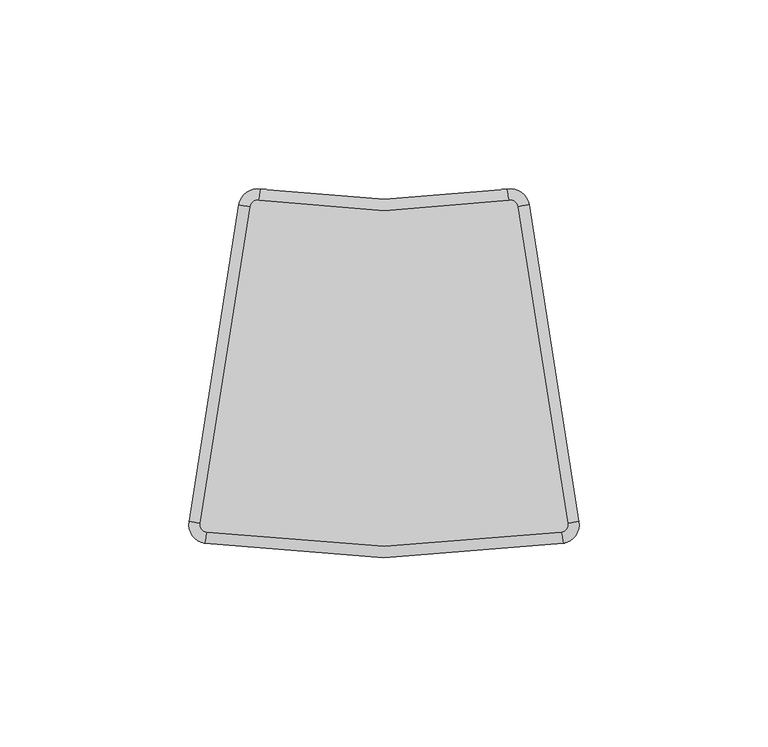
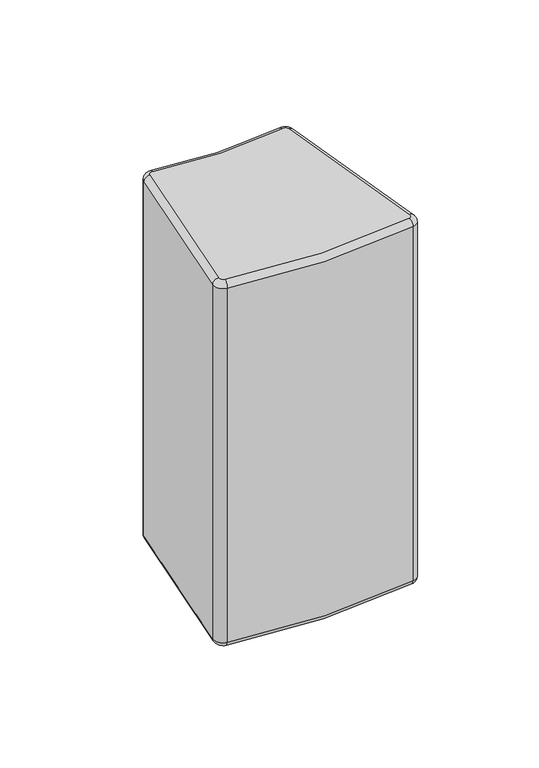
"""IFC4 building model written with IfcOpenShell, lengths in millimetres: plate geometry."""

from ifc_helpers import new_model, si_unit, point, frame, origin, place, context, project, spatial, polyline, circle_curve, ellipse_curve, trimmed, source, transform, mapped, element, save
from ifc_brep_helpers import plane_surface, cylinder_surface, revolved_surface, advanced_brep


def plate_569d3b1e(model_context):
    return source(origin(), model_context, "Body", "AdvancedBrep", [
        advanced_brep(
        [(-48.6187907, -40.1579752, 196.85), (-46.9610317, -42.4433121, 196.85), (46.9610317, -42.4433121, 196.85), (48.6187907, -40.1579752, 196.85), (35.4294025, 43.6926295, 196.85), (33.1273172, 45.3550478, 196.85), (-33.1273172, 45.3550478, 196.85), (-35.4294025, 43.6926295, 196.85), (-35.4294025, 43.6926295, 0.0), (-33.1273172, 45.3550478, 0.0), (33.1273172, 45.3550478, 0.0), (35.4294025, 43.6926295, 0.0), (48.6187907, -40.1579752, 0.0), (46.9610317, -42.4433121, 0.0), (-46.9610317, -42.4433121, 0.0), (-48.6187907, -40.1579752, 0.0), (-51.5823523, -39.691818, 193.85), (-38.3929641, 44.1587867, 193.85), (-38.3929641, 44.1587867, 2.9999976), (-51.5823523, -39.691818, 3.0), (47.4379548, -45.4051602, 193.85), (-47.4379548, -45.4051602, 193.85), (-47.4379548, -45.4051602, 2.9999989), (47.4379548, -45.4051602, 3.0), (38.3929641, 44.1587867, 193.85), (51.5823523, -39.691818, 193.85), (51.5823523, -39.691818, 3.0), (38.3929641, 44.1587867, 3.0), (-32.637751, 48.3148324, 193.85), (32.637751, 48.3148324, 193.85), (32.637751, 48.3148324, 2.9999981), (-32.637751, 48.3148324, 3.0)],
        [
            (0, 1, circle_curve(frame((-46.6430829, -40.4687467, 196.85), z_axis=(0.0, 0.0, 1.0), x_axis=(-0.9878538718482607, 0.15538573896725602, 0.0)), 2.0)),
            (1, 2, circle_curve(frame((0.0, 249.2, 196.85), z_axis=(0.0, 0.0, 1.0), x_axis=(-0.1589743793886803, -0.9872827085986992, 0.0)), 295.4)),
            (2, 3, circle_curve(frame((46.6430829, -40.4687467, 196.85), z_axis=(0.0, 0.0, 1.0), x_axis=(0.15897437938865627, -0.987282708598703, 0.0)), 2.0)),
            (3, 4),
            (4, 5, circle_curve(frame((33.4536947, 43.381858, 196.85), z_axis=(0.0, 0.0, 1.0), x_axis=(0.9878538718482599, 0.1553857389672605, 0.0)), 2.0)),
            (5, 6, circle_curve(frame((0.0, 245.6338056, 196.85), z_axis=(0.0, 0.0, -1.0), x_axis=(0.16318875479181272, -0.9865948663506706, 0.0)), 203.0)),
            (6, 7, circle_curve(frame((-33.4536947, 43.381858, 196.85), z_axis=(0.0, 0.0, 1.0), x_axis=(0.16318875479181183, 0.9865948663506707, 0.0)), 2.0)),
            (7, 0),
            (8, 9, circle_curve(frame((-33.4536947, 43.381858, 0.0), z_axis=(0.0, 0.0, -1.0), x_axis=(-0.9878538718482619, 0.1553857389672479, 0.0)), 2.0)),
            (9, 10, circle_curve(frame((0.0, 245.6338056, 0.0), z_axis=(0.0, 0.0, 1.0), x_axis=(-0.16318875479180558, -0.9865948663506718, 0.0)), 203.0)),
            (10, 11, circle_curve(frame((33.4536947, 43.381858, 0.0), z_axis=(0.0, 0.0, -1.0), x_axis=(-0.1631887547918012, 0.9865948663506725, 0.0)), 2.0)),
            (11, 12),
            (12, 13, circle_curve(frame((46.6430829, -40.4687467, 0.0), z_axis=(0.0, 0.0, -1.0), x_axis=(0.9878538718482593, 0.15538573896726424, 0.0)), 2.0)),
            (13, 14, circle_curve(frame((0.0, 249.2, 0.0), z_axis=(0.0, 0.0, -1.0), x_axis=(0.1589743793886688, -0.987282708598701, 0.0)), 295.4)),
            (14, 15, circle_curve(frame((-46.6430829, -40.4687467, 0.0), z_axis=(0.0, 0.0, -1.0), x_axis=(-0.1589743793886897, -0.9872827085986976, 0.0)), 2.0)),
            (15, 8),
            (16, 17),
            (17, 18),
            (18, 19),
            (19, 16),
            (20, 21, circle_curve(frame((0.0, 249.2, 193.85), z_axis=(0.0, 0.0, -1.0), x_axis=(1.0, 0.0, 0.0)), 298.4)),
            (21, 22),
            (22, 23, circle_curve(frame((0.0, 249.2, 3.0), z_axis=(0.0, 0.0, 1.0), x_axis=(1.0, 0.0, 0.0)), 298.4)),
            (23, 20),
            (24, 25),
            (25, 26),
            (26, 27),
            (27, 24),
            (28, 29, circle_curve(frame((0.0, 245.6338056, 193.85), z_axis=(0.0, 0.0, 1.0), x_axis=(1.0, 0.0, 0.0)), 200.0)),
            (29, 30),
            (30, 31, circle_curve(frame((0.0, 245.6338056, 3.0), z_axis=(0.0, 0.0, -1.0), x_axis=(1.0, 0.0, 0.0)), 200.0)),
            (31, 28),
            (21, 16, circle_curve(frame((-46.6430829, -40.4687467, 193.85), z_axis=(0.0, 0.0, -1.0), x_axis=(1.0, 0.0, 0.0)), 5.0)),
            (19, 22, circle_curve(frame((-46.6430829, -40.4687467, 3.0), z_axis=(0.0, 0.0, 1.0), x_axis=(1.0, 0.0, 0.0)), 5.0)),
            (25, 20, circle_curve(frame((46.6430829, -40.4687467, 193.85), z_axis=(0.0, 0.0, -1.0), x_axis=(1.0, 0.0, 0.0)), 5.0)),
            (23, 26, circle_curve(frame((46.6430829, -40.4687467, 3.0), z_axis=(0.0, 0.0, 1.0), x_axis=(1.0, 0.0, 0.0)), 5.0)),
            (29, 24, circle_curve(frame((33.4536947, 43.381858, 193.85), z_axis=(0.0, 0.0, -1.0), x_axis=(1.0, 0.0, 0.0)), 5.0)),
            (27, 30, circle_curve(frame((33.4536947, 43.381858, 3.0), z_axis=(0.0, 0.0, 1.0), x_axis=(1.0, 0.0, 0.0)), 5.0)),
            (17, 28, circle_curve(frame((-33.4536947, 43.381858, 193.85), z_axis=(0.0, 0.0, -1.0), x_axis=(1.0, 0.0, 0.0)), 5.0)),
            (31, 18, circle_curve(frame((-33.4536947, 43.381858, 3.0), z_axis=(0.0, 0.0, 1.0), x_axis=(1.0, 0.0, 0.0)), 5.0)),
            (21, 1, circle_curve(frame((-46.9610317, -42.4433121, 193.85), z_axis=(-0.9872827085986469, 0.1589743793890056, 0.0), x_axis=(0.1589743793890056, 0.9872827085986469, 0.0)), 3.0)),
            (0, 16, circle_curve(frame((-48.6187907, -40.1579752, 193.85), z_axis=(-0.155385738967256, -0.9878538718482607, 0.0), x_axis=(0.9878538718482607, -0.155385738967256, 0.0)), 3.0)),
            (20, 2, circle_curve(frame((46.9610317, -42.4433121, 193.85), z_axis=(-0.9872827085987009, -0.15897437938866907, 0.0), x_axis=(-0.15897437938866907, 0.9872827085987009, 0.0)), 3.0)),
            (25, 3, circle_curve(frame((48.6187907, -40.1579752, 193.85), z_axis=(0.15538573896727034, -0.9878538718482583, 0.0), x_axis=(-0.9878538718482583, -0.15538573896727034, 0.0)), 3.0)),
            (24, 4, circle_curve(frame((35.4294025, 43.6926295, 193.85), z_axis=(0.15538573896727137, -0.9878538718482582, 0.0), x_axis=(-0.9878538718482582, -0.15538573896727137, 0.0)), 3.0)),
            (29, 5, circle_curve(frame((33.1273172, 45.3550478, 193.85), z_axis=(0.9865948663507554, 0.16318875479129968, 0.0), x_axis=(0.16318875479129968, -0.9865948663507554, 0.0)), 3.0)),
            (28, 6, circle_curve(frame((-33.1273172, 45.3550478, 193.85), z_axis=(0.9865948663506717, -0.16318875479180608, 0.0), x_axis=(-0.16318875479180608, -0.9865948663506717, 0.0)), 3.0)),
            (17, 7, circle_curve(frame((-35.4294025, 43.6926295, 193.85), z_axis=(0.15538573896726787, 0.9878538718482587, 0.0), x_axis=(0.9878538718482587, -0.15538573896726787, 0.0)), 3.0)),
            (31, 9, circle_curve(frame((-33.1273172, 45.3550478, 3.0), z_axis=(-0.9865948663506676, 0.16318875479183048, 0.0), x_axis=(-0.16318875479183048, -0.9865948663506676, 0.0)), 3.0)),
            (8, 18, circle_curve(frame((-35.4294025, 43.6926295, 3.0), z_axis=(0.15538573896724794, 0.9878538718482619, 0.0), x_axis=(0.9878538718482619, -0.15538573896724794, 0.0)), 3.0)),
            (30, 10, circle_curve(frame((33.1273172, 45.3550478, 3.0), z_axis=(-0.9865948663506728, -0.16318875479180023, 0.0), x_axis=(0.16318875479180023, -0.9865948663506728, 0.0)), 3.0)),
            (27, 11, circle_curve(frame((35.4294025, 43.6926295, 3.0), z_axis=(-0.15538573896726726, 0.9878538718482589, 0.0), x_axis=(-0.9878538718482589, -0.15538573896726726, 0.0)), 3.0)),
            (26, 12, circle_curve(frame((48.6187907, -40.1579752, 3.0), z_axis=(-0.15538573896727154, 0.9878538718482582, 0.0), x_axis=(-0.9878538718482582, -0.15538573896727154, 0.0)), 3.0)),
            (23, 13, circle_curve(frame((46.9610317, -42.4433121, 3.0), z_axis=(0.9872827085987055, 0.15897437938864065, 0.0), x_axis=(-0.15897437938864065, 0.9872827085987055, 0.0)), 3.0)),
            (22, 14, circle_curve(frame((-46.9610317, -42.4433121, 3.0), z_axis=(0.9872827085987002, -0.15897437938867476, 0.0), x_axis=(0.15897437938867476, 0.9872827085987002, 0.0)), 3.0)),
            (19, 15, circle_curve(frame((-48.6187907, -40.1579752, 3.0), z_axis=(-0.1553857389672485, -0.9878538718482618, 0.0), x_axis=(0.9878538718482618, -0.1553857389672485, 0.0)), 3.0)),
        ],
        [
            plane_surface(frame((-52.35, -44.5720843, 196.85), z_axis=(0.0, 0.0, 1.0), x_axis=(-0.15538573896725646, -0.9878538718482606, 0.0))),
            plane_surface(frame((-52.35, -44.5720843, 0.0), z_axis=(0.0, 0.0, -1.0), x_axis=(0.15538573896725646, 0.9878538718482606, 0.0))),
            plane_surface(frame((-38.3929641, 44.1587867, 196.85), z_axis=(-0.9878538718482606, 0.15538573896725646, 0.0), x_axis=(0.0, 0.0, -1.0))),
            cylinder_surface(frame((0.0, 249.2, 0.0), z_axis=(0.0, 0.0, 1.0), x_axis=(1.0, 0.0, 0.0)), 298.4),
            plane_surface(frame((51.5823523, -39.691818, 196.85), z_axis=(0.9878538718482583, 0.15538573896727115, 0.0), x_axis=(0.0, 0.0, -1.0))),
            revolved_surface(polyline([(200.0, 245.6338056, 2.9999981), (200.0, 245.6338056, 193.85)]), (0.0, 245.6338056, 0.0), (0.0, 0.0, -1.0)),
            cylinder_surface(frame((-46.6430829, -40.4687467, 0.0), z_axis=(0.0, 0.0, 1.0), x_axis=(1.0, 0.0, 0.0)), 5.0),
            cylinder_surface(frame((46.6430829, -40.4687467, 0.0), z_axis=(0.0, 0.0, 1.0), x_axis=(1.0, 0.0, 0.0)), 5.0),
            cylinder_surface(frame((33.4536947, 43.381858, 0.0), z_axis=(0.0, 0.0, 1.0), x_axis=(1.0, 0.0, 0.0)), 5.0),
            cylinder_surface(frame((-33.4536947, 43.381858, 0.0), z_axis=(0.0, 0.0, 1.0), x_axis=(1.0, 0.0, 0.0)), 5.0),
            revolved_surface(trimmed(ellipse_curve(frame((-48.6187907, -40.1579752, 193.85), z_axis=(0.155385738967256, 0.9878538718482607, 0.0), x_axis=(0.9878538718482607, -0.155385738967256, 0.0)), 3.0, 3.0), [point((-51.5823523, -39.691818, 193.85))], [point((-48.6187907, -40.1579752, 196.85))], True, "CARTESIAN"), (-46.6430829, -40.4687467, 196.85), (0.0, 0.0, 1.0)),
            revolved_surface(trimmed(ellipse_curve(frame((-46.9610317, -42.4433121, 193.85), z_axis=(-0.9872827085986992, 0.1589743793886803, 0.0), x_axis=(0.1589743793886803, 0.9872827085986992, 0.0)), 3.0, 3.0), [point((-47.4379548, -45.4051602, 193.85))], [point((-46.9610317, -42.4433121, 196.85))], True, "CARTESIAN"), (0.0, 249.2, 196.85), (0.0, 0.0, 1.0)),
            revolved_surface(trimmed(ellipse_curve(frame((46.9610317, -42.4433121, 193.85), z_axis=(-0.987282708598703, -0.15897437938865625, 0.0), x_axis=(-0.15897437938865625, 0.987282708598703, 0.0)), 3.0, 3.0), [point((47.4379548, -45.4051602, 193.85))], [point((46.9610317, -42.4433121, 196.85))], True, "CARTESIAN"), (46.6430829, -40.4687467, 196.85), (0.0, 0.0, 1.0)),
            cylinder_surface(frame((48.6187907, -40.1579752, 193.85), z_axis=(-0.15538573896727137, 0.9878538718482582, 0.0), x_axis=(-0.9878538718482582, -0.15538573896727137, 0.0)), 3.0),
            revolved_surface(trimmed(ellipse_curve(frame((35.4294025, 43.6926295, 193.85), z_axis=(0.15538573896726046, -0.9878538718482599, 0.0), x_axis=(-0.9878538718482599, -0.15538573896726046, 0.0)), 3.0, 3.0), [point((38.3929641, 44.1587867, 193.85))], [point((35.4294025, 43.6926295, 196.85))], True, "CARTESIAN"), (33.4536947, 43.381858, 196.85), (0.0, 0.0, 1.0)),
            revolved_surface(trimmed(ellipse_curve(frame((33.1273172, 45.3550478, 193.85), z_axis=(0.9865948663506706, 0.16318875479181272, 0.0), x_axis=(0.16318875479181272, -0.9865948663506706, 0.0)), 3.0, 3.0), [point((32.637751, 48.3148324, 193.85))], [point((33.1273172, 45.3550478, 196.85))], True, "CARTESIAN"), (0.0, 245.6338056, 196.85), (0.0, 0.0, -1.0)),
            revolved_surface(trimmed(ellipse_curve(frame((-33.1273172, 45.3550478, 193.85), z_axis=(0.9865948663506707, -0.16318875479181183, 0.0), x_axis=(-0.16318875479181183, -0.9865948663506707, 0.0)), 3.0, 3.0), [point((-32.637751, 48.3148324, 193.85))], [point((-33.1273172, 45.3550478, 196.85))], True, "CARTESIAN"), (-33.4536947, 43.381858, 196.85), (0.0, 0.0, 1.0)),
            cylinder_surface(frame((-35.4294025, 43.6926295, 193.85), z_axis=(-0.15538573896725644, -0.9878538718482607, 0.0), x_axis=(0.9878538718482607, -0.15538573896725644, 0.0)), 3.0),
            revolved_surface(trimmed(ellipse_curve(frame((-35.4294025, 43.6926295, 3.0), z_axis=(-0.15538573896724794, -0.9878538718482619, 0.0), x_axis=(0.9878538718482619, -0.15538573896724794, 0.0)), 3.0, 3.0), [point((-38.3929641, 44.1587867, 3.0))], [point((-35.4294025, 43.6926295, 0.0))], True, "CARTESIAN"), (-33.4536947, 43.381858, 0.0), (0.0, 0.0, -1.0)),
            revolved_surface(trimmed(ellipse_curve(frame((-33.1273172, 45.3550478, 3.0), z_axis=(-0.9865948663506718, 0.16318875479180547, 0.0), x_axis=(-0.16318875479180547, -0.9865948663506718, 0.0)), 3.0, 3.0), [point((-32.637751, 48.3148324, 3.0))], [point((-33.1273172, 45.3550478, 0.0))], True, "CARTESIAN"), (0.0, 245.6338056, 0.0), (0.0, 0.0, 1.0)),
            revolved_surface(trimmed(ellipse_curve(frame((33.1273172, 45.3550478, 3.0), z_axis=(-0.9865948663506725, -0.16318875479180134, 0.0), x_axis=(0.16318875479180134, -0.9865948663506725, 0.0)), 3.0, 3.0), [point((32.637751, 48.3148324, 3.0))], [point((33.1273172, 45.3550478, 0.0))], True, "CARTESIAN"), (33.4536947, 43.381858, 0.0), (0.0, 0.0, -1.0)),
            cylinder_surface(frame((35.4294025, 43.6926295, 3.0), z_axis=(0.15538573896727154, -0.9878538718482582, 0.0), x_axis=(-0.9878538718482582, -0.15538573896727154, 0.0)), 3.0),
            revolved_surface(trimmed(ellipse_curve(frame((48.6187907, -40.1579752, 3.0), z_axis=(-0.1553857389672644, 0.9878538718482593, 0.0), x_axis=(-0.9878538718482593, -0.1553857389672644, 0.0)), 3.0, 3.0), [point((51.5823523, -39.691818, 3.0))], [point((48.6187907, -40.1579752, 0.0))], True, "CARTESIAN"), (46.6430829, -40.4687467, 0.0), (0.0, 0.0, -1.0)),
            revolved_surface(trimmed(ellipse_curve(frame((46.9610317, -42.4433121, 3.0), z_axis=(0.987282708598701, 0.15897437938866904, 0.0), x_axis=(-0.15897437938866904, 0.987282708598701, 0.0)), 3.0, 3.0), [point((47.4379548, -45.4051602, 3.0))], [point((46.9610317, -42.4433121, 0.0))], True, "CARTESIAN"), (0.0, 249.2, 0.0), (0.0, 0.0, -1.0)),
            revolved_surface(trimmed(ellipse_curve(frame((-46.9610317, -42.4433121, 3.0), z_axis=(0.9872827085986976, -0.1589743793886894, 0.0), x_axis=(0.1589743793886894, 0.9872827085986976, 0.0)), 3.0, 3.0), [point((-47.4379548, -45.4051602, 3.0))], [point((-46.9610317, -42.4433121, 0.0))], True, "CARTESIAN"), (-46.6430829, -40.4687467, 0.0), (0.0, 0.0, -1.0)),
            cylinder_surface(frame((-48.6187907, -40.1579752, 3.0), z_axis=(0.15538573896725622, 0.9878538718482607, 0.0), x_axis=(0.9878538718482607, -0.15538573896725622, 0.0)), 3.0),
        ],
        [
            (0, [[1, 2, 3, 4, 5, 6, 7, 8]]),
            (1, [[9, 10, 11, 12, 13, 14, 15, 16]]),
            (2, [[17, 18, 19, 20]]),
            (3, [[21, 22, 23, 24]]),
            (4, [[25, 26, 27, 28]]),
            (5, [[29, 30, 31, 32]]),
            (6, [[33, -20, 34, -22]]),
            (7, [[35, -24, 36, -26]]),
            (8, [[37, -28, 38, -30]]),
            (9, [[39, -32, 40, -18]]),
            (10, [[41, -1, 42, -33]]),
            (11, [[-41, -21, 43, -2]]),
            (12, [[-43, -35, 44, -3]]),
            (13, [[-44, -25, 45, -4]]),
            (14, [[-45, -37, 46, -5]]),
            (15, [[-46, -29, 47, -6]]),
            (16, [[-47, -39, 48, -7]]),
            (17, [[-42, -8, -48, -17]]),
            (18, [[49, -9, 50, -40]]),
            (19, [[-49, -31, 51, -10]]),
            (20, [[-51, -38, 52, -11]]),
            (21, [[-52, -27, 53, -12]]),
            (22, [[-53, -36, 54, -13]]),
            (23, [[-54, -23, 55, -14]]),
            (24, [[-55, -34, 56, -15]]),
            (25, [[-50, -16, -56, -19]]),
        ],
    ),
    ])


if __name__ == "__main__":
    model = new_model("IFC4")
    model_context = context("Model", 3, world=origin())
    ifc_project = project(units=[si_unit("LENGTHUNIT", "METRE", prefix="MILLI")], contexts=[model_context])
    site = spatial("IfcSite", under=ifc_project)
    building = spatial("IfcBuilding", under=site)
    placement = place(None, origin())
    plate_shape = plate_569d3b1e(model_context)
    element("IfcPlate", 1, at=placement, inside=building, context=model_context, shape_type="MappedRepresentation", body=[
        mapped(plate_shape, transform((0.0, 0.0, 0.0), x_axis=(1.0, 0.0, 0.0), y_axis=(0.0, 1.0, 0.0), z_axis=(0.0, 0.0, 1.0))),
    ])
    save(model, "model.ifc")
